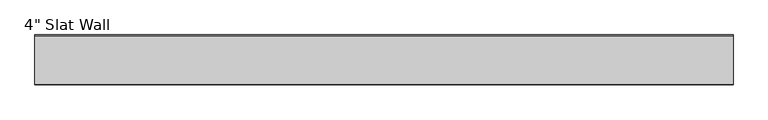
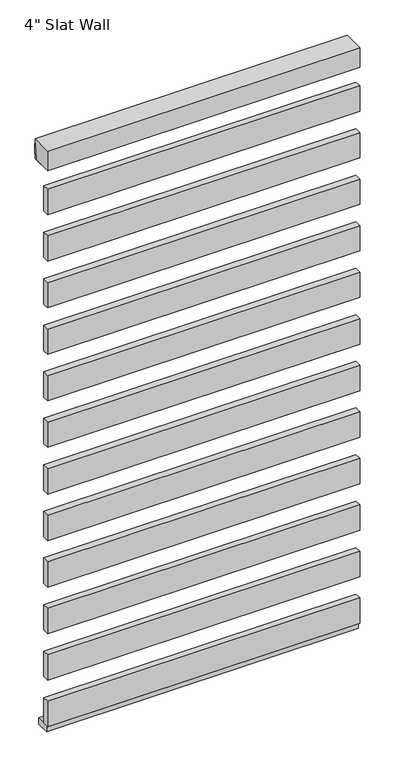
"""IFC4 building model written with IfcOpenShell, lengths in millimetres: plate geometry."""

from ifc_helpers import new_model, si_unit, point, frame, frame_2d, origin, place, context, project, spatial, polyline, circle_curve, trimmed, segment, composite_curve, outline, extrude, source, transform, mapped, element, save


def plate_3940e11b(model_context):
    return source(origin(), model_context, "Body", "SweptSolid", [
        extrude(outline(polyline([(-7.9375, 313.8920455), (-33.3375, 313.8920455), (-33.3375, 415.4920455), (-7.9375, 415.4920455), (-7.9375, 402.7920455), (-7.9375, 366.2795455), (-7.9375, 363.1045455), (-7.9375, 326.5920455), (-7.9375, 313.8920455)])), frame((-593.2908475, 0.0, 0.0), z_axis=(1.0, 0.0, 0.0), x_axis=(0.0, 1.0, 0.0)), (0.0, 0.0, 1.0), 1186.5816949),
        extrude(outline(polyline([(-7.9375, 500.7840909), (-33.3375, 500.7840909), (-33.3375, 602.3840909), (-7.9375, 602.3840909), (-7.9375, 589.6840909), (-7.9375, 553.1715909), (-7.9375, 549.9965909), (-7.9375, 513.4840909), (-7.9375, 500.7840909)])), frame((-593.2908475, 0.0, 0.0), z_axis=(1.0, 0.0, 0.0), x_axis=(0.0, 1.0, 0.0)), (0.0, 0.0, 1.0), 1186.5816949),
        extrude(outline(polyline([(-7.9375, 687.6761364), (-33.3375, 687.6761364), (-33.3375, 789.2761364), (-7.9375, 789.2761364), (-7.9375, 776.5761364), (-7.9375, 740.0636364), (-7.9375, 736.8886364), (-7.9375, 700.3761364), (-7.9375, 687.6761364)])), frame((-593.2908475, 0.0, 0.0), z_axis=(1.0, 0.0, 0.0), x_axis=(0.0, 1.0, 0.0)), (0.0, 0.0, 1.0), 1186.5816949),
        extrude(outline(polyline([(-7.9375, 874.5681818), (-33.3375, 874.5681818), (-33.3375, 976.1681818), (-7.9375, 976.1681818), (-7.9375, 963.4681818), (-7.9375, 926.9556818), (-7.9375, 923.7806818), (-7.9375, 887.2681818), (-7.9375, 874.5681818)])), frame((-593.2908475, 0.0, 0.0), z_axis=(1.0, 0.0, 0.0), x_axis=(0.0, 1.0, 0.0)), (0.0, 0.0, 1.0), 1186.5816949),
        extrude(outline(polyline([(-7.9375, 1061.4602273), (-33.3375, 1061.4602273), (-33.3375, 1163.0602273), (-7.9375, 1163.0602273), (-7.9375, 1150.3602273), (-7.9375, 1113.8477273), (-7.9375, 1110.6727273), (-7.9375, 1074.1602273), (-7.9375, 1061.4602273)])), frame((-593.2908475, 0.0, 0.0), z_axis=(1.0, 0.0, 0.0), x_axis=(0.0, 1.0, 0.0)), (0.0, 0.0, 1.0), 1186.5816949),
        extrude(outline(polyline([(-7.9375, 1248.3522727), (-33.3375, 1248.3522727), (-33.3375, 1349.9522727), (-7.9375, 1349.9522727), (-7.9375, 1337.2522727), (-7.9375, 1300.7397727), (-7.9375, 1297.5647727), (-7.9375, 1261.0522727), (-7.9375, 1248.3522727)])), frame((-593.2908475, 0.0, 0.0), z_axis=(1.0, 0.0, 0.0), x_axis=(0.0, 1.0, 0.0)), (0.0, 0.0, 1.0), 1186.5816949),
        extrude(outline(polyline([(-7.9375, 1435.2443182), (-33.3375, 1435.2443182), (-33.3375, 1536.8443182), (-7.9375, 1536.8443182), (-7.9375, 1524.1443182), (-7.9375, 1487.6318182), (-7.9375, 1484.4568182), (-7.9375, 1447.9443182), (-7.9375, 1435.2443182)])), frame((-593.2908475, 0.0, 0.0), z_axis=(1.0, 0.0, 0.0), x_axis=(0.0, 1.0, 0.0)), (0.0, 0.0, 1.0), 1186.5816949),
        extrude(outline(polyline([(-7.9375, 1622.1363636), (-33.3375, 1622.1363636), (-33.3375, 1723.7363636), (-7.9375, 1723.7363636), (-7.9375, 1711.0363636), (-7.9375, 1674.5238636), (-7.9375, 1671.3488636), (-7.9375, 1634.8363636), (-7.9375, 1622.1363636)])), frame((-593.2908475, 0.0, 0.0), z_axis=(1.0, 0.0, 0.0), x_axis=(0.0, 1.0, 0.0)), (0.0, 0.0, 1.0), 1186.5816949),
        extrude(outline(polyline([(-7.9375, 1809.0284091), (-33.3375, 1809.0284091), (-33.3375, 1910.6284091), (-7.9375, 1910.6284091), (-7.9375, 1897.9284091), (-7.9375, 1861.4159091), (-7.9375, 1858.2409091), (-7.9375, 1821.7284091), (-7.9375, 1809.0284091)])), frame((-593.2908475, 0.0, 0.0), z_axis=(1.0, 0.0, 0.0), x_axis=(0.0, 1.0, 0.0)), (0.0, 0.0, 1.0), 1186.5816949),
        extrude(outline(polyline([(-7.9375, 1995.9204545), (-33.3375, 1995.9204545), (-33.3375, 2097.5204545), (-7.9375, 2097.5204545), (-7.9375, 2084.8204545), (-7.9375, 2048.3079545), (-7.9375, 2045.1329545), (-7.9375, 2008.6204545), (-7.9375, 1995.9204545)])), frame((-593.2908475, 0.0, 0.0), z_axis=(1.0, 0.0, 0.0), x_axis=(0.0, 1.0, 0.0)), (0.0, 0.0, 1.0), 1186.5816949),
        extrude(outline(polyline([(-7.9375, 127.0), (-33.3375, 127.0), (-33.3375, 228.6), (-7.9375, 228.6), (-7.9375, 215.9), (-7.9375, 179.3875), (-7.9375, 176.2125), (-7.9375, 139.7), (-7.9375, 127.0)])), frame((-593.2908475, 0.0, 0.0), z_axis=(1.0, 0.0, 0.0), x_axis=(0.0, 1.0, 0.0)), (0.0, 0.0, 1.0), 1186.5816949),
        extrude(outline(polyline([(-7.9375, 2182.8125), (-33.3375, 2182.8125), (-33.3375, 2284.4125), (-7.9375, 2284.4125), (-7.9375, 2271.7125), (-7.9375, 2235.2), (-7.9375, 2232.025), (-7.9375, 2195.5125), (-7.9375, 2182.8125)])), frame((-593.2908475, 0.0, 0.0), z_axis=(1.0, 0.0, 0.0), x_axis=(0.0, 1.0, 0.0)), (0.0, 0.0, 1.0), 1186.5816949),
        extrude(outline(composite_curve([segment(polyline([(-33.3375, 2438.4), (48.41875, 2438.4), (48.41875, 2435.225)]), True, "CONTINUOUS"), segment(trimmed(circle_curve(frame_2d((372.2960463, 2356.0450255)), 333.4156137), [point((48.41875, 2435.225))], [point((38.89375, 2359.025))], True, "CARTESIAN"), True, "CONTINUOUS"), segment(polyline([(38.89375, 2359.025), (-33.3375, 2359.025), (-33.3375, 2438.4)]), True, "CONTINUOUS")], self_intersect=False)), frame((-593.2908475, 0.0, 0.0), z_axis=(1.0, 0.0, 0.0), x_axis=(0.0, 1.0, 0.0)), (0.0, 0.0, 1.0), 1186.5816949),
        extrude(outline(composite_curve([segment(polyline([(-33.3375, 2359.025), (-33.3375, 2438.4), (48.41875, 2438.4)]), True, "CONTINUOUS"), segment(trimmed(circle_curve(frame_2d((-263.8341329, 2398.7125)), 314.7649291), [point((48.41875, 2438.4))], [point((48.41875, 2359.025))], False, "CARTESIAN"), True, "CONTINUOUS"), segment(polyline([(48.41875, 2359.025), (-33.3375, 2359.025)]), True, "CONTINUOUS")], self_intersect=False)), frame((-593.2908475, 0.0, 0.0), z_axis=(1.0, 0.0, 0.0), x_axis=(0.0, 1.0, 0.0)), (0.0, 0.0, 1.0), 1186.5816949),
        extrude(outline(polyline([(-593.2908475, -25.4), (-593.2908475, 25.4), (593.2908475, 25.4), (593.2908475, -25.4), (-593.2908475, -25.4)])), frame((0.0, 0.0, 101.6), z_axis=(0.0, 0.0, 1.0), x_axis=(1.0, 0.0, 0.0)), (0.0, 0.0, 1.0), 25.4),
    ])


if __name__ == "__main__":
    model = new_model("IFC4")
    model_context = context("Model", 3, world=origin())
    ifc_project = project(units=[si_unit("LENGTHUNIT", "METRE", prefix="MILLI")], contexts=[model_context])
    site = spatial("IfcSite", under=ifc_project)
    building = spatial("IfcBuilding", under=site)
    placement = place(None, origin())
    plate_shape = plate_3940e11b(model_context)
    element("IfcPlate", 1, ObjectType="4\" Slat Wall", at=placement, inside=building, context=model_context, shape_type="MappedRepresentation", body=[
        mapped(plate_shape, transform((0.0, 0.0, 0.0), x_axis=(1.0, 0.0, 0.0), y_axis=(0.0, 1.0, 0.0), z_axis=(0.0, 0.0, 1.0))),
    ])
    save(model, "model.ifc")
